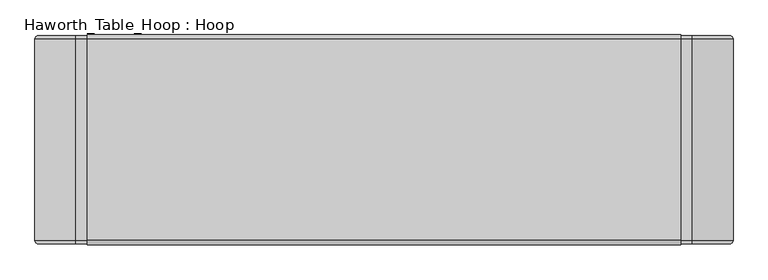
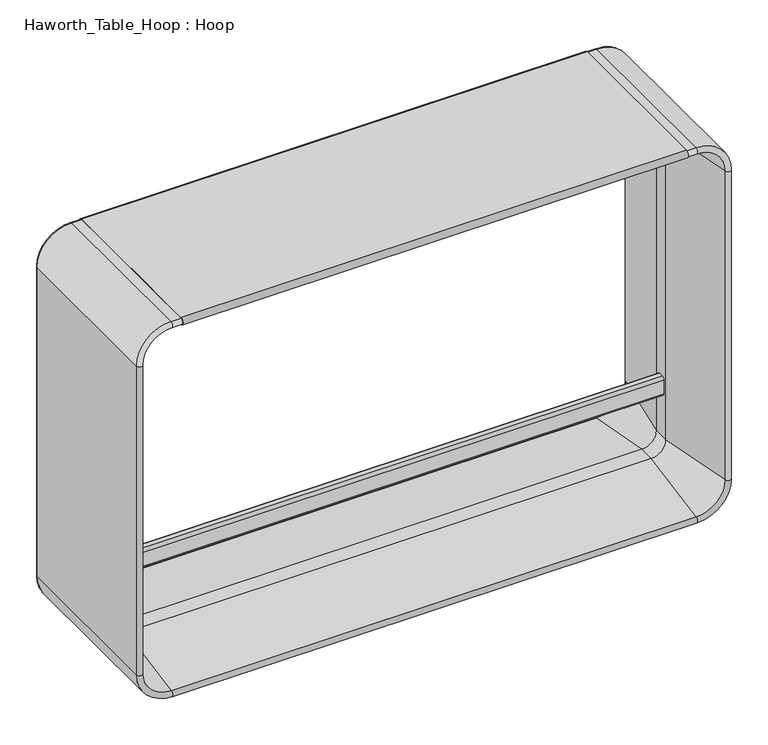
"""IFC4 building model written with IfcOpenShell, lengths in millimetres: furniture geometry, Haworth_Table_Hoop : Hoop."""

from ifc_helpers import new_model, si_unit, point, frame, frame_2d, origin, place, context, project, spatial, polyline, circle_curve, ellipse_curve, trimmed, segment, composite_curve, outline, extrude, source, transform, mapped, element, save
from ifc_brep_helpers import plane_surface, cylinder_surface, revolved_surface, advanced_brep


def haworth_table_hoop_hoop_8f2ef03b(model_context):
    return source(origin(), model_context, "Body", "SolidModel", [
        extrude(outline(composite_curve([segment(polyline([(-6.4249721, 998.8374553), (-206.4410951, 962.2272881), (-249.55549, 962.2272881), (-449.571613, 998.8374553)]), True, "CONTINUOUS"), segment(trimmed(circle_curve(frame_2d((-447.9145987, 1008.1287007)), 9.4378461), [point((-449.571613, 998.8374553))], [point((-447.9145987, 1017.5665468))], False, "CARTESIAN"), True, "CONTINUOUS"), segment(polyline([(-447.9145987, 1017.5665468), (-8.0819864, 1017.5665468)]), True, "CONTINUOUS"), segment(trimmed(circle_curve(frame_2d((-8.0819864, 1008.1287007)), 9.4378461), [point((-8.0819864, 1017.5665468))], [point((-6.4249721, 998.8374553))], False, "CARTESIAN"), True, "CONTINUOUS")], self_intersect=False)), frame((-647.2818297, 0.0, 0.0), z_axis=(1.0, 0.0, 0.0), x_axis=(0.0, 1.0, 0.0)), (0.0, 0.0, 1.0), 1294.5636139),
        extrude(outline(composite_curve([segment(trimmed(circle_curve(frame_2d((-234.2549264, 247.5566355)), 6.4433645), [point((-240.6982909, 247.5566355))], [point((-234.2549264, 254.0))], False, "CARTESIAN"), True, "CONTINUOUS"), segment(polyline([(-234.2549264, 254.0), (-221.7416587, 254.0)]), True, "CONTINUOUS"), segment(trimmed(circle_curve(frame_2d((-221.7416587, 247.5566355)), 6.4433645), [point((-221.7416587, 254.0))], [point((-215.2982942, 247.5566355))], False, "CARTESIAN"), True, "CONTINUOUS"), segment(polyline([(-215.2982942, 247.5566355), (-215.2982942, 209.6328334)]), True, "CONTINUOUS"), segment(trimmed(circle_curve(frame_2d((-221.7416587, 209.6328334)), 6.4433645), [point((-215.2982942, 209.6328334))], [point((-221.7416587, 203.1894689))], False, "CARTESIAN"), True, "CONTINUOUS"), segment(polyline([(-221.7416587, 203.1894689), (-234.2549264, 203.1894689)]), True, "CONTINUOUS"), segment(trimmed(circle_curve(frame_2d((-234.2549264, 209.6328334)), 6.4433645), [point((-234.2549264, 203.1894689))], [point((-240.6982909, 209.6328334))], False, "CARTESIAN"), True, "CONTINUOUS"), segment(polyline([(-240.6982909, 209.6328334), (-240.6982909, 247.5566355)]), True, "CONTINUOUS")], self_intersect=False)), frame((-709.8049165, 0.0, 0.0), z_axis=(1.0, 0.0, 0.0), x_axis=(0.0, 1.0, 0.0)), (0.0, 0.0, 1.0), 1419.609833),
        advanced_brep(
        [(762.0, -447.9769607, 89.3627318), (672.6372682, -447.9769607, 0.0), (672.6372682, -8.0196243, 0.0), (762.0, -8.0196243, 89.3627318), (746.4382648, -449.3893831, 89.3627318), (672.6372682, -449.3893831, 15.5617352), (709.8097854, -249.2696686, 89.3627318), (672.6372682, -249.2696686, 52.1902146), (746.4382648, -6.607202, 89.3627318), (672.6372682, -6.607202, 15.5617352), (672.6372682, -206.7269165, 52.1902146), (709.8097854, -206.7269165, 89.3627318), (762.0, -8.0196243, 926.6163138), (762.0, -447.9769607, 926.6163138), (746.4382648, -449.3893831, 926.6163138), (709.8097854, -249.2696686, 926.6163138), (709.8097854, -206.7269165, 926.6163138), (746.4382648, -6.607202, 926.6163138), (672.6372682, -447.9769607, 1015.9790456), (672.6372682, -8.0196243, 1015.9790456), (672.6372682, -449.3893831, 1000.4173104), (672.6372682, -249.2696686, 963.7888309), (672.6372682, -6.607202, 1000.4173104), (672.6372682, -206.7269165, 963.7888309), (-672.6372682, -8.0196243, 1015.9790456), (-672.6372682, -447.9769607, 1015.9790456), (-672.6372682, -449.3893831, 1000.4173104), (-672.6372682, -249.2696686, 963.7888309), (-672.6372682, -206.7269165, 963.7888309), (-672.6372682, -6.607202, 1000.4173104), (-762.0, -447.9769607, 926.6163138), (-762.0, -8.0196243, 926.6163138), (-746.4382648, -449.3893831, 926.6163138), (-709.8097854, -249.2696686, 926.6163138), (-746.4382648, -6.607202, 926.6163138), (-709.8097854, -206.7269165, 926.6163138), (-762.0, -8.0196243, 89.3627318), (-762.0, -447.9769607, 89.3627318), (-746.4382648, -449.3893831, 89.3627318), (-709.8097854, -249.2696686, 89.3627318), (-709.8097854, -206.7269165, 89.3627318), (-746.4382648, -6.607202, 89.3627318), (-672.6372682, -447.9769607, 0.0), (-672.6372682, -8.0196243, 0.0), (-672.6372682, -449.3893831, 15.5617352), (-672.6372682, -249.2696686, 52.1902146), (-672.6372682, -6.607202, 15.5617352), (-672.6372682, -206.7269165, 52.1902146)],
        [
            (0, 1, circle_curve(frame((672.6372682, -447.9769607, 89.3627318), z_axis=(0.0, 1.0, 0.0), x_axis=(0.0, 0.0, -1.0)), 89.3627318)),
            (1, 2),
            (2, 3, circle_curve(frame((672.6372682, -8.0196243, 89.3627318), z_axis=(0.0, -1.0, 0.0), x_axis=(0.0, 0.0, -1.0)), 89.3627318)),
            (3, 0),
            (4, 5, circle_curve(frame((672.6372682, -449.3893831, 89.3627318), z_axis=(0.0, 1.0, 0.0), x_axis=(0.0, 0.0, -1.0)), 73.8009966)),
            (5, 1, circle_curve(frame((672.6372682, -447.9769607, 7.8449651), z_axis=(1.0, 0.0, 0.0), x_axis=(0.0, 0.0, 1.0)), 7.8449651)),
            (0, 4, circle_curve(frame((754.1550349, -447.9769607, 89.3627318), z_axis=(0.0, 0.0, -1.0), x_axis=(-1.0, 0.0, 0.0)), 7.8449651)),
            (6, 7, circle_curve(frame((672.6372682, -249.2696686, 89.3627318), z_axis=(0.0, 1.0, 0.0), x_axis=(0.0, 0.0, -1.0)), 37.1725172)),
            (7, 5),
            (4, 6),
            (8, 9, circle_curve(frame((672.6372682, -6.607202, 89.3627318), z_axis=(0.0, 1.0, 0.0), x_axis=(0.0, 0.0, -1.0)), 73.8009966)),
            (9, 10),
            (10, 11, circle_curve(frame((672.6372682, -206.7269165, 89.3627318), z_axis=(0.0, -1.0, 0.0), x_axis=(0.0, 0.0, -1.0)), 37.1725172)),
            (11, 8),
            (2, 9, circle_curve(frame((672.6372682, -8.0196243, 7.8449651), z_axis=(1.0, 0.0, 0.0), x_axis=(0.0, 0.0, 1.0)), 7.8449651)),
            (8, 3, circle_curve(frame((754.1550349, -8.0196243, 89.3627318), z_axis=(0.0, 0.0, -1.0), x_axis=(-1.0, 0.0, 0.0)), 7.8449651)),
            (3, 12),
            (12, 13),
            (13, 0),
            (13, 14, circle_curve(frame((754.1550349, -447.9769607, 926.6163138), z_axis=(0.0, 0.0, -1.0), x_axis=(-1.0, 0.0, 0.0)), 7.8449651)),
            (14, 4),
            (14, 15),
            (15, 6),
            (11, 16),
            (16, 17),
            (17, 8),
            (17, 12, circle_curve(frame((754.1550349, -8.0196243, 926.6163138), z_axis=(0.0, 0.0, -1.0), x_axis=(-1.0, 0.0, 0.0)), 7.8449651)),
            (18, 13, circle_curve(frame((672.6372682, -447.9769607, 926.6163138), z_axis=(0.0, 1.0, 0.0), x_axis=(1.0, 0.0, 2.1951896999272173e-12)), 89.3627318)),
            (12, 19, circle_curve(frame((672.6372682, -8.0196243, 926.6163138), z_axis=(0.0, -1.0, 0.0), x_axis=(1.0, 0.0, 2.1951896999272173e-12)), 89.3627318)),
            (19, 18),
            (20, 14, circle_curve(frame((672.6372682, -449.3893831, 926.6163138), z_axis=(0.0, 1.0, 0.0), x_axis=(1.0, 0.0, 2.1951896999272173e-12)), 73.8009966)),
            (18, 20, circle_curve(frame((672.6372682, -447.9769607, 1008.1340805), z_axis=(1.0, 0.0, 0.0), x_axis=(0.0, 0.0, -1.0)), 7.8449651)),
            (21, 15, circle_curve(frame((672.6372682, -249.2696686, 926.6163138), z_axis=(0.0, 1.0, 0.0), x_axis=(1.0, 0.0, 2.1951896999272173e-12)), 37.1725172)),
            (20, 21),
            (22, 17, circle_curve(frame((672.6372682, -6.607202, 926.6163138), z_axis=(0.0, 1.0, 0.0), x_axis=(1.0, 0.0, 2.1951896999272173e-12)), 73.8009966)),
            (16, 23, circle_curve(frame((672.6372682, -206.7269165, 926.6163138), z_axis=(0.0, -1.0, 0.0), x_axis=(1.0, 0.0, 2.1951896999272173e-12)), 37.1725172)),
            (23, 22),
            (22, 19, circle_curve(frame((672.6372682, -8.0196243, 1008.1340805), z_axis=(1.0, 0.0, 0.0), x_axis=(0.0, 0.0, -1.0)), 7.8449651)),
            (19, 24),
            (24, 25),
            (25, 18),
            (25, 26, circle_curve(frame((-672.6372682, -447.9769607, 1008.1340805), z_axis=(1.0, 0.0, 0.0), x_axis=(0.0, 0.0, -1.0)), 7.8449651)),
            (26, 20),
            (26, 27),
            (27, 21),
            (23, 28),
            (28, 29),
            (29, 22),
            (29, 24, circle_curve(frame((-672.6372682, -8.0196243, 1008.1340805), z_axis=(1.0, 0.0, 0.0), x_axis=(0.0, 0.0, -1.0)), 7.8449651)),
            (30, 25, circle_curve(frame((-672.6372682, -447.9769607, 926.6163138), z_axis=(0.0, 1.0, 0.0), x_axis=(0.0, 0.0, 1.0)), 89.3627318)),
            (24, 31, circle_curve(frame((-672.6372682, -8.0196243, 926.6163138), z_axis=(0.0, -1.0, 0.0), x_axis=(0.0, 0.0, 1.0)), 89.3627318)),
            (31, 30),
            (32, 26, circle_curve(frame((-672.6372682, -449.3893831, 926.6163138), z_axis=(0.0, 1.0, 0.0), x_axis=(0.0, 0.0, 1.0)), 73.8009966)),
            (30, 32, circle_curve(frame((-754.1550349, -447.9769607, 926.6163138), z_axis=(0.0, 0.0, 1.0), x_axis=(1.0, 0.0, 0.0)), 7.8449651)),
            (33, 27, circle_curve(frame((-672.6372682, -249.2696686, 926.6163138), z_axis=(0.0, 1.0, 0.0), x_axis=(0.0, 0.0, 1.0)), 37.1725172)),
            (32, 33),
            (34, 29, circle_curve(frame((-672.6372682, -6.607202, 926.6163138), z_axis=(0.0, 1.0, 0.0), x_axis=(0.0, 0.0, 1.0)), 73.8009966)),
            (28, 35, circle_curve(frame((-672.6372682, -206.7269165, 926.6163138), z_axis=(0.0, -1.0, 0.0), x_axis=(0.0, 0.0, 1.0)), 37.1725172)),
            (35, 34),
            (34, 31, circle_curve(frame((-754.1550349, -8.0196243, 926.6163138), z_axis=(0.0, 0.0, 1.0), x_axis=(1.0, 0.0, 0.0)), 7.8449651)),
            (31, 36),
            (36, 37),
            (37, 30),
            (37, 38, circle_curve(frame((-754.1550349, -447.9769607, 89.3627318), z_axis=(0.0, 0.0, 1.0), x_axis=(1.0, 0.0, 0.0)), 7.8449651)),
            (38, 32),
            (38, 39),
            (39, 33),
            (35, 40),
            (40, 41),
            (41, 34),
            (41, 36, circle_curve(frame((-754.1550349, -8.0196243, 89.3627318), z_axis=(0.0, 0.0, 1.0), x_axis=(1.0, 0.0, 0.0)), 7.8449651)),
            (42, 37, circle_curve(frame((-672.6372682, -447.9769607, 89.3627318), z_axis=(0.0, 1.0, 0.0), x_axis=(-1.0, 0.0, -2.181044574253572e-12)), 89.3627318)),
            (36, 43, circle_curve(frame((-672.6372682, -8.0196243, 89.3627318), z_axis=(0.0, -1.0, 0.0), x_axis=(-1.0, 0.0, -2.181044574253572e-12)), 89.3627318)),
            (43, 42),
            (44, 38, circle_curve(frame((-672.6372682, -449.3893831, 89.3627318), z_axis=(0.0, 1.0, 0.0), x_axis=(-1.0, 0.0, -2.181044574253572e-12)), 73.8009966)),
            (42, 44, circle_curve(frame((-672.6372682, -447.9769607, 7.8449651), z_axis=(-1.0, 0.0, 0.0), x_axis=(0.0, 0.0, 1.0)), 7.8449651)),
            (45, 39, circle_curve(frame((-672.6372682, -249.2696686, 89.3627318), z_axis=(0.0, 1.0, 0.0), x_axis=(-1.0, 0.0, -2.181044574253572e-12)), 37.1725172)),
            (44, 45),
            (46, 41, circle_curve(frame((-672.6372682, -6.607202, 89.3627318), z_axis=(0.0, 1.0, 0.0), x_axis=(-1.0, 0.0, -2.181044574253572e-12)), 73.8009966)),
            (40, 47, circle_curve(frame((-672.6372682, -206.7269165, 89.3627318), z_axis=(0.0, -1.0, 0.0), x_axis=(-1.0, 0.0, -2.181044574253572e-12)), 37.1725172)),
            (47, 46),
            (46, 43, circle_curve(frame((-672.6372682, -8.0196243, 7.8449651), z_axis=(-1.0, 0.0, 0.0), x_axis=(0.0, 0.0, 1.0)), 7.8449651)),
            (43, 2),
            (1, 42),
            (5, 44),
            (7, 45),
            (47, 10),
            (9, 46),
            (10, 7),
            (6, 11),
            (15, 16),
            (21, 23),
            (27, 28),
            (33, 35),
            (39, 40),
            (45, 47),
        ],
        [
            cylinder_surface(frame((672.6372682, 0.0, 89.3627318), z_axis=(0.0, -1.0, 0.0), x_axis=(0.0, 0.0, -1.0)), 89.3627318),
            revolved_surface(trimmed(ellipse_curve(frame((672.6372682, -447.9769607, 7.8449651), z_axis=(-1.0, 0.0, 0.0), x_axis=(0.0, 0.0, 1.0)), 7.8449651, 7.8449651), [point((672.6372682, -447.9769607, 0.0))], [point((672.6372682, -449.3893831, 15.5617352))], True, "CARTESIAN"), (672.6372682, 0.0, 89.3627318), (0.0, -1.0, 0.0)),
            revolved_surface(polyline([(672.6372682, -449.3893831, 15.5617352), (672.6372682, -249.2696686, 52.1902146)]), (672.6372682, 0.0, 89.3627318), (0.0, -1.0, 0.0)),
            revolved_surface(polyline([(672.6372682, -206.7269165, 52.1902146), (672.6372682, -6.607202, 15.5617352)]), (672.6372682, 0.0, 89.3627318), (0.0, -1.0, 0.0)),
            revolved_surface(trimmed(ellipse_curve(frame((672.6372682, -8.0196243, 7.8449651), z_axis=(-1.0, 0.0, 0.0), x_axis=(0.0, 0.0, 1.0)), 7.8449651, 7.8449651), [point((672.6372682, -6.607202, 15.5617352))], [point((672.6372682, -8.0196243, 0.0))], True, "CARTESIAN"), (672.6372682, 0.0, 89.3627318), (0.0, -1.0, 0.0)),
            plane_surface(frame((762.0, -8.0196243, 89.3627318), z_axis=(1.0, 0.0, 0.0), x_axis=(0.0, 0.0, 1.0))),
            cylinder_surface(frame((754.1550349, -447.9769607, 89.3627318), z_axis=(0.0, 0.0, -1.0), x_axis=(-1.0, 0.0, 0.0)), 7.8449651),
            plane_surface(frame((746.4382648, -449.3893831, 89.3627318), z_axis=(-0.9836589440345567, -0.1800418890725737, 0.0), x_axis=(0.0, 0.0, 1.0))),
            plane_surface(frame((709.8097854, -206.7269165, 89.3627318), z_axis=(-0.9836589440345389, 0.1800418890726708, 0.0), x_axis=(0.0, 0.0, 1.0))),
            cylinder_surface(frame((754.1550349, -8.0196243, 89.3627318), z_axis=(0.0, 0.0, -1.0), x_axis=(-1.0, 0.0, 0.0)), 7.8449651),
            cylinder_surface(frame((672.6372682, 0.0, 926.6163138), z_axis=(0.0, -1.0, 0.0), x_axis=(1.0, 0.0, 2.1951896999272173e-12)), 89.3627318),
            revolved_surface(trimmed(ellipse_curve(frame((754.1550349, -447.9769607, 926.6163138), z_axis=(2.1951896999272173e-12, 0.0, -1.0), x_axis=(-1.0, 0.0, -2.195189699927222e-12)), 7.8449651, 7.8449651), [point((762.0, -447.9769607, 926.6163138))], [point((746.4382648, -449.3893831, 926.6163138))], True, "CARTESIAN"), (672.6372682, 0.0, 926.6163138), (0.0, -1.0, 0.0)),
            revolved_surface(polyline([(746.4382648, -449.3893831, 926.6163138), (709.8097854, -249.2696686, 926.6163138)]), (672.6372682, 0.0, 926.6163138), (0.0, -1.0, 0.0)),
            revolved_surface(polyline([(709.8097854, -206.7269165, 926.6163138), (746.4382648, -6.607202, 926.6163138)]), (672.6372682, 0.0, 926.6163138), (0.0, -1.0, 0.0)),
            revolved_surface(trimmed(ellipse_curve(frame((754.1550349, -8.0196243, 926.6163138), z_axis=(2.1951896999272173e-12, 0.0, -1.0), x_axis=(-1.0, 0.0, -2.1951896999272173e-12)), 7.8449651, 7.8449651), [point((746.4382648, -6.607202, 926.6163138))], [point((762.0, -8.0196243, 926.6163138))], True, "CARTESIAN"), (672.6372682, 0.0, 926.6163138), (0.0, -1.0, 0.0)),
            plane_surface(frame((672.6372682, -8.0196243, 1015.9790456), z_axis=(0.0, 0.0, 1.0), x_axis=(-1.0, 0.0, 0.0))),
            cylinder_surface(frame((672.6372682, -447.9769607, 1008.1340805), z_axis=(1.0, 0.0, 0.0), x_axis=(0.0, 0.0, -1.0)), 7.8449651),
            plane_surface(frame((672.6372682, -449.3893831, 1000.4173104), z_axis=(0.0, -0.18004188907262225, -0.9836589440345478), x_axis=(-1.0, 0.0, 0.0))),
            plane_surface(frame((672.6372682, -206.7269165, 963.7888309), z_axis=(0.0, 0.18004188907262225, -0.9836589440345478), x_axis=(-1.0, 0.0, 0.0))),
            cylinder_surface(frame((672.6372682, -8.0196243, 1008.1340805), z_axis=(1.0, 0.0, 0.0), x_axis=(0.0, 0.0, -1.0)), 7.8449651),
            cylinder_surface(frame((-672.6372682, 0.0, 926.6163138), z_axis=(0.0, -1.0, 0.0), x_axis=(0.0, 0.0, 1.0)), 89.3627318),
            revolved_surface(trimmed(ellipse_curve(frame((-672.6372682, -447.9769607, 1008.1340805), z_axis=(1.0, 0.0, 0.0), x_axis=(0.0, 0.0, -1.0)), 7.8449651, 7.8449651), [point((-672.6372682, -447.9769607, 1015.9790456))], [point((-672.6372682, -449.3893831, 1000.4173104))], True, "CARTESIAN"), (-672.6372682, 0.0, 926.6163138), (0.0, -1.0, 0.0)),
            revolved_surface(polyline([(-672.6372682, -449.3893831, 1000.4173104), (-672.6372682, -249.2696686, 963.7888309)]), (-672.6372682, 0.0, 926.6163138), (0.0, -1.0, 0.0)),
            revolved_surface(polyline([(-672.6372682, -206.7269165, 963.7888309), (-672.6372682, -6.607202, 1000.4173104)]), (-672.6372682, 0.0, 926.6163138), (0.0, -1.0, 0.0)),
            revolved_surface(trimmed(ellipse_curve(frame((-672.6372682, -8.0196243, 1008.1340805), z_axis=(1.0, 0.0, 0.0), x_axis=(0.0, 0.0, -1.0)), 7.8449651, 7.8449651), [point((-672.6372682, -6.607202, 1000.4173104))], [point((-672.6372682, -8.0196243, 1015.9790456))], True, "CARTESIAN"), (-672.6372682, 0.0, 926.6163138), (0.0, -1.0, 0.0)),
            plane_surface(frame((-762.0, -8.0196243, 926.6163138), z_axis=(-1.0, 0.0, 0.0), x_axis=(0.0, 0.0, -1.0))),
            cylinder_surface(frame((-754.1550349, -447.9769607, 926.6163138), z_axis=(0.0, 0.0, 1.0), x_axis=(1.0, 0.0, 0.0)), 7.8449651),
            plane_surface(frame((-746.4382648, -449.3893831, 926.6163138), z_axis=(0.9836589440345567, -0.1800418890725737, 0.0), x_axis=(0.0, 0.0, -1.0))),
            plane_surface(frame((-709.8097854, -206.7269165, 926.6163138), z_axis=(0.9836589440345389, 0.1800418890726708, 0.0), x_axis=(0.0, 0.0, -1.0))),
            cylinder_surface(frame((-754.1550349, -8.0196243, 926.6163138), z_axis=(0.0, 0.0, 1.0), x_axis=(1.0, 0.0, 0.0)), 7.8449651),
            cylinder_surface(frame((-672.6372682, 0.0, 89.3627318), z_axis=(0.0, -1.0, 0.0), x_axis=(-1.0, 0.0, -2.181044574253572e-12)), 89.3627318),
            revolved_surface(trimmed(ellipse_curve(frame((-754.1550349, -447.9769607, 89.3627318), z_axis=(-2.181044574253572e-12, 0.0, 1.0), x_axis=(1.0, 0.0, 2.181044574253577e-12)), 7.8449651, 7.8449651), [point((-762.0, -447.9769607, 89.3627318))], [point((-746.4382648, -449.3893831, 89.3627318))], True, "CARTESIAN"), (-672.6372682, 0.0, 89.3627318), (0.0, -1.0, 0.0)),
            revolved_surface(polyline([(-746.4382648, -449.3893831, 89.3627318), (-709.8097854, -249.2696686, 89.3627318)]), (-672.6372682, 0.0, 89.3627318), (0.0, -1.0, 0.0)),
            revolved_surface(polyline([(-709.8097854, -206.7269165, 89.3627318), (-746.4382648, -6.607202, 89.3627318)]), (-672.6372682, 0.0, 89.3627318), (0.0, -1.0, 0.0)),
            revolved_surface(trimmed(ellipse_curve(frame((-754.1550349, -8.0196243, 89.3627318), z_axis=(-2.181044574253572e-12, 0.0, 1.0), x_axis=(1.0, 0.0, 2.181044574253572e-12)), 7.8449651, 7.8449651), [point((-746.4382648, -6.607202, 89.3627318))], [point((-762.0, -8.0196243, 89.3627318))], True, "CARTESIAN"), (-672.6372682, 0.0, 89.3627318), (0.0, -1.0, 0.0)),
            plane_surface(frame((-672.6372682, -8.0196243, 0.0), z_axis=(0.0, 0.0, -1.0), x_axis=(1.0, 0.0, 0.0))),
            cylinder_surface(frame((-672.6372682, -447.9769607, 7.8449651), z_axis=(-1.0, 0.0, 0.0), x_axis=(0.0, 0.0, 1.0)), 7.8449651),
            plane_surface(frame((-672.6372682, -449.3893831, 15.5617352), z_axis=(0.0, -0.18004188907262225, 0.9836589440345478), x_axis=(1.0, 0.0, 0.0))),
            plane_surface(frame((-672.6372682, -206.7269165, 52.1902146), z_axis=(0.0, 0.18004188907262225, 0.9836589440345478), x_axis=(1.0, 0.0, 0.0))),
            cylinder_surface(frame((-672.6372682, -8.0196243, 7.8449651), z_axis=(-1.0, 0.0, 0.0), x_axis=(0.0, 0.0, 1.0)), 7.8449651),
            revolved_surface(polyline([(672.6372682, -249.2696686, 52.190214600000004), (672.6372682, -206.7269165, 52.190214600000004)]), (672.6372682, 0.0, 89.3627318), (0.0, -1.0, 0.0)),
            plane_surface(frame((709.8097854, -249.2696686, 89.3627318), z_axis=(-1.0, 0.0, 0.0), x_axis=(0.0, 0.0, 1.0))),
            revolved_surface(polyline([(709.8097854, -249.2696686, 926.6163138000816), (709.8097854, -206.7269165, 926.6163138000816)]), (672.6372682, 0.0, 926.6163138), (0.0, -1.0, 0.0)),
            plane_surface(frame((672.6372682, -249.2696686, 963.7888309), z_axis=(0.0, 0.0, -1.0), x_axis=(-1.0, 0.0, 0.0))),
            revolved_surface(polyline([(-672.6372682, -249.2696686, 963.788831), (-672.6372682, -206.7269165, 963.788831)]), (-672.6372682, 0.0, 926.6163138), (0.0, -1.0, 0.0)),
            plane_surface(frame((-709.8097854, -249.2696686, 926.6163138), z_axis=(1.0, 0.0, 0.0), x_axis=(0.0, 0.0, -1.0))),
            revolved_surface(polyline([(-709.8097854, -249.2696686, 89.36273179991893), (-709.8097854, -206.7269165, 89.36273179991893)]), (-672.6372682, 0.0, 89.3627318), (0.0, -1.0, 0.0)),
            plane_surface(frame((-672.6372682, -249.2696686, 52.1902146), z_axis=(0.0, 0.0, 1.0), x_axis=(1.0, 0.0, 0.0))),
        ],
        [
            (0, [[1, 2, 3, 4]]),
            (1, [[5, 6, -1, 7]]),
            (2, [[8, 9, -5, 10]]),
            (3, [[11, 12, 13, 14]]),
            (4, [[-3, 15, -11, 16]]),
            (5, [[-4, 17, 18, 19]]),
            (6, [[-7, -19, 20, 21]]),
            (7, [[-10, -21, 22, 23]]),
            (8, [[-14, 24, 25, 26]]),
            (9, [[-16, -26, 27, -17]]),
            (10, [[28, -18, 29, 30]]),
            (11, [[31, -20, -28, 32]]),
            (12, [[33, -22, -31, 34]]),
            (13, [[35, -25, 36, 37]]),
            (14, [[-29, -27, -35, 38]]),
            (15, [[-30, 39, 40, 41]]),
            (16, [[-32, -41, 42, 43]]),
            (17, [[-34, -43, 44, 45]]),
            (18, [[-37, 46, 47, 48]]),
            (19, [[-38, -48, 49, -39]]),
            (20, [[50, -40, 51, 52]]),
            (21, [[53, -42, -50, 54]]),
            (22, [[55, -44, -53, 56]]),
            (23, [[57, -47, 58, 59]]),
            (24, [[-51, -49, -57, 60]]),
            (25, [[-52, 61, 62, 63]]),
            (26, [[-54, -63, 64, 65]]),
            (27, [[-56, -65, 66, 67]]),
            (28, [[-59, 68, 69, 70]]),
            (29, [[-60, -70, 71, -61]]),
            (30, [[72, -62, 73, 74]]),
            (31, [[75, -64, -72, 76]]),
            (32, [[77, -66, -75, 78]]),
            (33, [[79, -69, 80, 81]]),
            (34, [[-73, -71, -79, 82]]),
            (35, [[-74, 83, -2, 84]]),
            (36, [[-76, -84, -6, 85]]),
            (37, [[-78, -85, -9, 86]]),
            (38, [[-81, 87, -12, 88]]),
            (39, [[-82, -88, -15, -83]]),
            (40, [[-13, 89, -8, 90]]),
            (41, [[-90, -23, 91, -24]]),
            (42, [[-36, -91, -33, 92]]),
            (43, [[-92, -45, 93, -46]]),
            (44, [[-58, -93, -55, 94]]),
            (45, [[-94, -67, 95, -68]]),
            (46, [[-80, -95, -77, 96]]),
            (47, [[-96, -86, -89, -87]]),
        ],
    ),
    ])


if __name__ == "__main__":
    model = new_model("IFC4")
    model_context = context("Model", 3, world=origin())
    ifc_project = project(units=[si_unit("LENGTHUNIT", "METRE", prefix="MILLI")], contexts=[model_context])
    site = spatial("IfcSite", under=ifc_project)
    building = spatial("IfcBuilding", under=site)
    placement = place(None, origin())
    haworth_table_hoop_hoop_shape = haworth_table_hoop_hoop_8f2ef03b(model_context)
    element("IfcFurniture", 1, ObjectType="Haworth_Table_Hoop : Hoop", at=placement, inside=building, context=model_context, shape_type="MappedRepresentation", body=[
        mapped(haworth_table_hoop_hoop_shape, transform((0.0, 0.0, 0.0), x_axis=(1.0, 0.0, 0.0), y_axis=(0.0, 1.0, 0.0), z_axis=(0.0, 0.0, 1.0))),
    ])
    save(model, "model.ifc")
